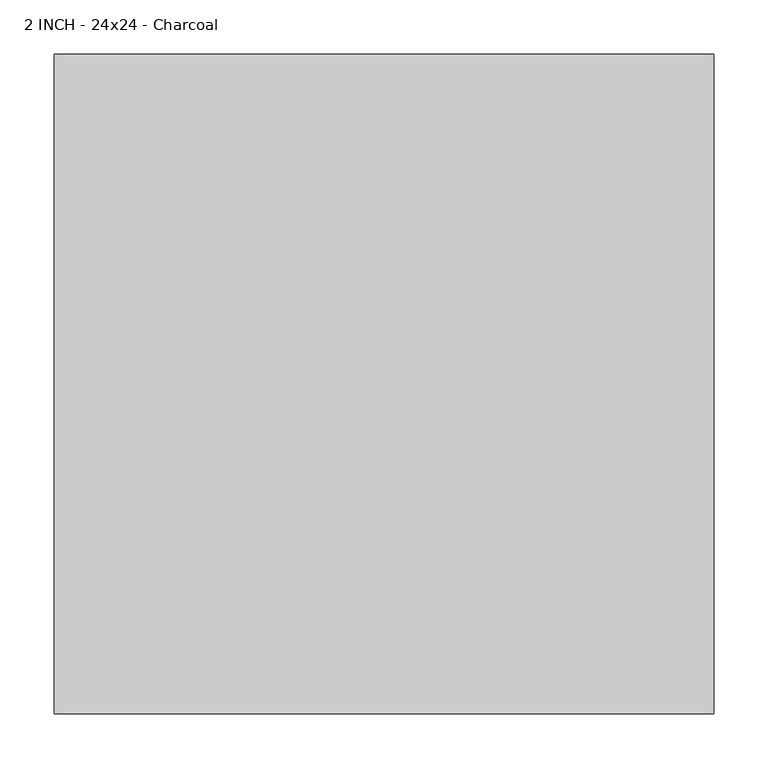
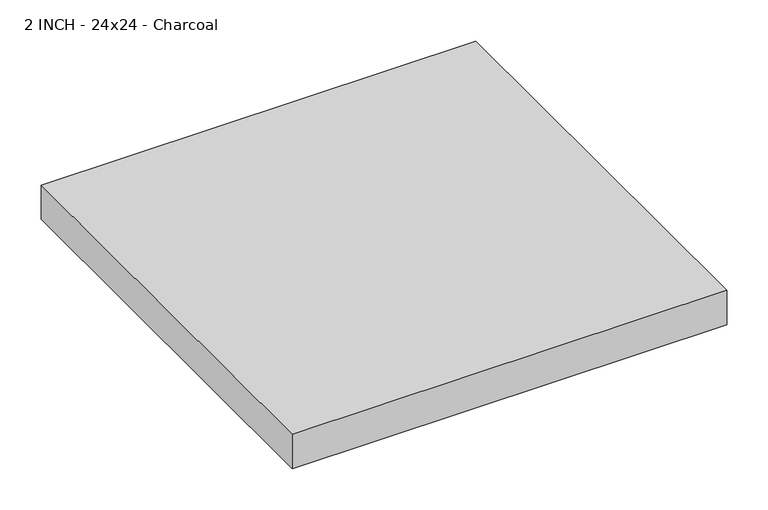
"""IFC4 building model written with IfcOpenShell, lengths in millimetres: proxy geometry, 2 INCH - 24x24 - Charcoal."""

from ifc_helpers import new_model, si_unit, origin, origin_with_axes, place, context, project, spatial, polyline, outline, extrude, source, transform, mapped, element, save


def proxy_2_inch_24x24_charcoal_6957a6ce(model_context):
    return source(origin(), model_context, "Body", "SweptSolid", [
        extrude(outline(polyline([(-304.8, 304.8), (304.8, 304.8), (304.8, -304.8), (-304.8, -304.8), (-304.8, 304.8)])), origin_with_axes(), (0.0, 0.0, 1.0), 50.8),
    ])


if __name__ == "__main__":
    model = new_model("IFC4")
    model_context = context("Model", 3, world=origin())
    ifc_project = project(units=[si_unit("LENGTHUNIT", "METRE", prefix="MILLI")], contexts=[model_context])
    site = spatial("IfcSite", under=ifc_project)
    building = spatial("IfcBuilding", under=site)
    placement = place(None, origin())
    proxy_2_inch_24x24_charcoal_shape = proxy_2_inch_24x24_charcoal_6957a6ce(model_context)
    element("IfcBuildingElementProxy", 1, Name="2 INCH - 24x24 - Charcoal", ObjectType="2 INCH - 24x24 - Charcoal", at=placement, inside=building, context=model_context, shape_type="MappedRepresentation", body=[
        mapped(proxy_2_inch_24x24_charcoal_shape, transform((0.0, 0.0, 0.0), x_axis=(1.0, 0.0, 0.0), y_axis=(0.0, 1.0, 0.0), z_axis=(0.0, 0.0, 1.0))),
    ])
    save(model, "model.ifc")
